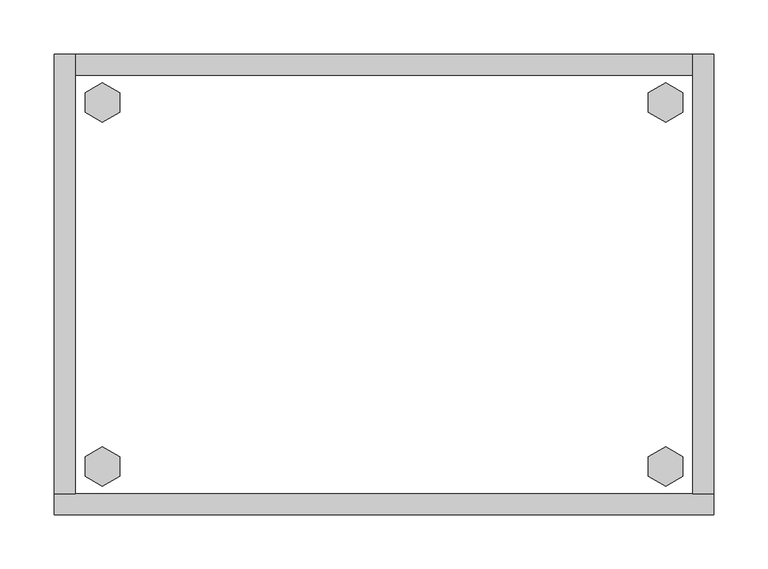
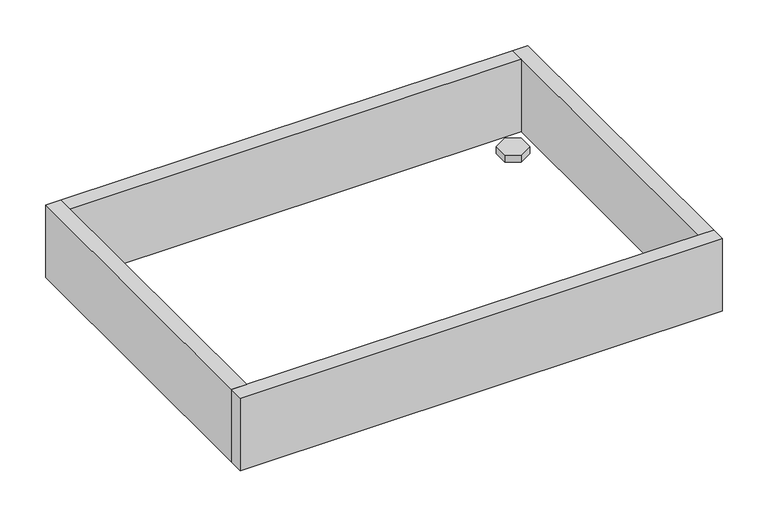
"""IFC4 building model written with IfcOpenShell, lengths in millimetres: furniture geometry."""

import ifcopenshell
import ifcopenshell.guid

model = None  # the IFC model being written
_history = None  # IfcOwnerHistory: only IFC2X3 demands one
_inside = {}  # id of a spatial element -> (the spatial element, [elements in it])
_under = {}  # id of a project, library or spatial element -> (it, [spatial elements below it])
_declared = {}  # id of a project -> (the project, [libraries it declares])
_typed = {}  # id of a type object -> (the type object, [elements of that type])
_made_of = {}  # id of a material, layer set ... -> (it, [elements and type objects made of it])


def new_model(schema):
    """Start an empty IFC model of exactly this schema.

    Asked for "IFC4X3", IfcOpenShell would pick the latest addendum, in which some entities
    have other attributes; the version numbers below select the first issue.
    IFC2X3 requires an IfcOwnerHistory on every rooted entity: one is made here for all.
    """
    global model, _history
    if schema == "IFC4X3":
        model = ifcopenshell.file(schema_version=(4, 3, 0, 0))
    else:
        model = ifcopenshell.file(schema=schema)
    _inside.clear()
    _under.clear()
    _declared.clear()
    _typed.clear()
    _made_of.clear()
    _history = None
    if model.schema == "IFC2X3":
        org = make("IfcOrganization", Name="unknown")
        user = make(
            "IfcPersonAndOrganization",
            ThePerson=make("IfcPerson", FamilyName="unknown"),
            TheOrganization=org,
        )
        app = make(
            "IfcApplication",
            ApplicationDeveloper=org,
            Version="unknown",
            ApplicationFullName="unknown",
            ApplicationIdentifier="unknown",
        )
        _history = make(
            "IfcOwnerHistory",
            OwningUser=user,
            OwningApplication=app,
            ChangeAction="ADDED",
            CreationDate=0,
        )
    return model


def make(cls, **values):
    """One entity of the class cls with the attributes given. An attribute that is None is left unset."""
    return model.create_entity(
        cls, **{name: value for name, value in values.items() if value is not None}
    )


def rooted(cls, **values):
    """An entity with a GlobalId (a new one), such as an element, a storey or a relation."""
    return make(cls, GlobalId=ifcopenshell.guid.new(), OwnerHistory=_history, **values)


def si_unit(unit_type, name, prefix=None):
    """IfcSIUnit, for example si_unit("LENGTHUNIT", "METRE", prefix="MILLI")."""
    return make("IfcSIUnit", UnitType=unit_type, Prefix=prefix, Name=name)


def assignment(units):
    """IfcUnitAssignment: the units of a project."""
    return None if units is None else make("IfcUnitAssignment", Units=units)


def point(xyz):
    """IfcCartesianPoint."""
    return None if xyz is None else make("IfcCartesianPoint", Coordinates=xyz)


def direction(xyz):
    """IfcDirection."""
    return None if xyz is None else make("IfcDirection", DirectionRatios=xyz)


def frame(location, z_axis=None, x_axis=None):
    """IfcAxis2Placement3D, a coordinate frame: its origin and axes. An axis left out is left unset."""
    return make(
        "IfcAxis2Placement3D",
        Location=point(location),
        Axis=direction(z_axis),
        RefDirection=direction(x_axis),
    )


def origin():
    """The frame at (0, 0, 0) with its axes left unset."""
    return frame((0.0, 0.0, 0.0))


def origin_with_axes():
    """The frame at (0, 0, 0) with the z axis (0, 0, 1) and the x axis (1, 0, 0) written out."""
    return frame((0.0, 0.0, 0.0), z_axis=(0.0, 0.0, 1.0), x_axis=(1.0, 0.0, 0.0))


def place(relative_to, where):
    """IfcLocalPlacement: puts the frame where relative to a parent placement (None: the world)."""
    return make(
        "IfcLocalPlacement", PlacementRelTo=relative_to, RelativePlacement=where
    )


def context(
    kind, dimensions, precision=None, world=None, true_north=None, identifier=None
):
    """IfcGeometricRepresentationContext, for example the 3D "Model" context."""
    return make(
        "IfcGeometricRepresentationContext",
        ContextIdentifier=identifier,
        ContextType=kind,
        CoordinateSpaceDimension=dimensions,
        Precision=precision,
        WorldCoordinateSystem=world,
        TrueNorth=true_north,
    )


def project(units=None, contexts=None):
    """IfcProject with its units and contexts."""
    return rooted(
        "IfcProject",
        Name="project",
        RepresentationContexts=contexts,
        UnitsInContext=assignment(units),
    )


def spatial(cls, under=None, at=None, **own):
    """A site, building, storey or space (cls), placed at a placement, below another one or the project."""
    s = rooted(cls, ObjectPlacement=at, **own)
    if under is not None:
        _under.setdefault(under.id(), (under, []))[1].append(s)
    return s


def polyline(points):
    """IfcPolyline through the points."""
    return make("IfcPolyline", Points=[point(p) for p in points])


def outline(outer, holes=None, kind="AREA"):
    """IfcArbitraryClosedProfileDef: a profile drawn as a closed curve; with holes, ...WithVoids."""
    if holes is None:
        return make("IfcArbitraryClosedProfileDef", ProfileType=kind, OuterCurve=outer)
    return make(
        "IfcArbitraryProfileDefWithVoids",
        ProfileType=kind,
        OuterCurve=outer,
        InnerCurves=holes,
    )


def extrude(swept, where, along, depth):
    """IfcExtrudedAreaSolid: the profile swept, set in the frame where, extruded along a direction by depth."""
    return make(
        "IfcExtrudedAreaSolid",
        SweptArea=swept,
        Position=where,
        ExtrudedDirection=direction(along),
        Depth=depth,
    )


def shape(context_of_items, identifier, shape_type, items):
    """IfcShapeRepresentation: the items that make up one representation, for example the "Body"."""
    return make(
        "IfcShapeRepresentation",
        ContextOfItems=context_of_items,
        RepresentationIdentifier=identifier,
        RepresentationType=shape_type,
        Items=items,
    )


def source(mapping_origin, context_of_items, identifier, shape_type, items):
    """IfcRepresentationMap: a shape defined once, which mapped items show again and again."""
    return make(
        "IfcRepresentationMap",
        MappingOrigin=mapping_origin,
        MappedRepresentation=shape(context_of_items, identifier, shape_type, items),
    )


def transform(
    local_origin,
    x_axis=None,
    y_axis=None,
    z_axis=None,
    scale=None,
    scale2=None,
    scale3=None,
    uniform=True,
):
    """IfcCartesianTransformationOperator3D, or its non-uniform kind. x_axis, y_axis, z_axis: its Axis1, 2, 3."""
    if uniform:
        return make(
            "IfcCartesianTransformationOperator3D",
            Axis1=direction(x_axis),
            Axis2=direction(y_axis),
            LocalOrigin=point(local_origin),
            Scale=scale,
            Axis3=direction(z_axis),
        )
    return make(
        "IfcCartesianTransformationOperator3DnonUniform",
        Axis1=direction(x_axis),
        Axis2=direction(y_axis),
        LocalOrigin=point(local_origin),
        Scale=scale,
        Axis3=direction(z_axis),
        Scale2=scale2,
        Scale3=scale3,
    )


def mapped(mapping_source, mapping_target):
    """IfcMappedItem: shows the shape of a source again, moved by a transform."""
    return make(
        "IfcMappedItem", MappingSource=mapping_source, MappingTarget=mapping_target
    )


def made_of(thing, what):
    """Note that an element or type object is made of a material, layer set ...; save() writes the relation."""
    if what is not None:
        _made_of.setdefault(what.id(), (what, []))[1].append(thing)
    return thing


def element(
    cls,
    number,
    at=None,
    inside=None,
    cuts=None,
    type_object=None,
    material=None,
    context=None,
    identifier="Body",
    shape_type=None,
    held_by="IfcProductDefinitionShape",
    body=None,
    shapes=None,
    **own,
):
    """One element of the class cls, such as IfcWall. Its Tag is "e" and its number.

    at: its placement. inside: the storey or other place that contains it. cuts: it is an
    opening in that element (IfcRelVoidsElement). A single representation is given by context,
    identifier, shape_type and body (its items); several are given by shapes. held_by: the class
    of the entity that holds the representations. save() writes the other relations.
    """
    e = rooted(cls, Tag="e%d" % number, ObjectPlacement=at, **own)
    if body is not None:
        shapes = [shape(context, identifier, shape_type, body)]
    if shapes is not None:
        e.Representation = make(held_by, Representations=shapes)
    if inside is not None:
        _inside.setdefault(inside.id(), (inside, []))[1].append(e)
    if cuts is not None:
        rooted(
            "IfcRelVoidsElement", RelatingBuildingElement=cuts, RelatedOpeningElement=e
        )
    if type_object is not None:
        _typed.setdefault(type_object.id(), (type_object, []))[1].append(e)
    return made_of(e, material)


def aggregate(whole, parts):
    """IfcRelAggregates: a whole, such as a stair, and the parts it consists of."""
    return rooted("IfcRelAggregates", RelatingObject=whole, RelatedObjects=parts)


def save(model, path):
    """Write the relations noted so far, then the file.

    IfcRelAggregates (storeys below a building ...), IfcRelContainedInSpatialStructure (elements
    in a storey), IfcRelDefinesByType, IfcRelAssociatesMaterial and IfcRelDeclares: one each for
    every whole, place, type object, material and project.
    """
    for whole, parts in _under.values():
        aggregate(whole, parts)
    for where, things in _inside.values():
        rooted(
            "IfcRelContainedInSpatialStructure",
            RelatedElements=things,
            RelatingStructure=where,
        )
    for kind, things in _typed.values():
        rooted("IfcRelDefinesByType", RelatedObjects=things, RelatingType=kind)
    for what, things in _made_of.values():
        rooted("IfcRelAssociatesMaterial", RelatedObjects=things, RelatingMaterial=what)
    for by, libraries in _declared.values():
        rooted("IfcRelDeclares", RelatingContext=by, RelatedDefinitions=libraries)
    model.write(path)


def furniture_5e88b87c(model_context):
    return source(origin(), model_context, "Body", "SweptSolid", [
        extrude(outline(polyline([(548.9735422, -371.8179), (564.9214, -362.6104), (580.8692578, -371.8179), (580.8692578, -390.2329), (564.9214, -399.4404), (548.9735422, -390.2329), (548.9735422, -371.8179)])), origin_with_axes(), (0.0, 0.0, 1.0), 9.144),
        extrude(outline(polyline([(548.9735422, -35.4711), (564.9214, -26.2636), (580.8692578, -35.4711), (580.8692578, -53.8861), (564.9214, -63.0936), (548.9735422, -53.8861), (548.9735422, -35.4711)])), origin_with_axes(), (0.0, 0.0, 1.0), 9.144),
        extrude(outline(polyline([(28.7307422, -371.8179), (44.6786, -362.6104), (60.6264578, -371.8179), (60.6264578, -390.2329), (44.6786, -399.4404), (28.7307422, -390.2329), (28.7307422, -371.8179)])), origin_with_axes(), (0.0, 0.0, 1.0), 9.144),
        extrude(outline(polyline([(28.7307422, -35.4711), (44.6786, -26.2636), (60.6264578, -35.4711), (60.6264578, -53.8861), (44.6786, -63.0936), (28.7307422, -53.8861), (28.7307422, -35.4711)])), origin_with_axes(), (0.0, 0.0, 1.0), 9.144),
        extrude(outline(polyline([(19.304, 0.0), (19.304, -406.4), (0.0, -406.4), (0.0, 0.0), (19.304, 0.0)])), frame((0.0, 0.0, 4.699), z_axis=(0.0, 0.0, 1.0), x_axis=(1.0, 0.0, 0.0)), (0.0, 0.0, 1.0), 96.901),
        extrude(outline(polyline([(609.6, 0.0), (609.6, -406.4), (590.296, -406.4), (590.296, 0.0), (609.6, 0.0)])), frame((0.0, 0.0, 4.699), z_axis=(0.0, 0.0, 1.0), x_axis=(1.0, 0.0, 0.0)), (0.0, 0.0, 1.0), 96.901),
        extrude(outline(polyline([(590.296, -19.304), (19.304, -19.304), (19.304, 0.0), (590.296, 0.0), (590.296, -19.304)])), frame((0.0, 0.0, 4.699), z_axis=(0.0, 0.0, 1.0), x_axis=(1.0, 0.0, 0.0)), (0.0, 0.0, 1.0), 96.901),
        extrude(outline(polyline([(609.6, -406.4), (609.6, -425.704), (0.0, -425.704), (0.0, -406.4), (609.6, -406.4)])), frame((0.0, 0.0, 4.699), z_axis=(0.0, 0.0, 1.0), x_axis=(1.0, 0.0, 0.0)), (0.0, 0.0, 1.0), 96.901),
    ])


if __name__ == "__main__":
    model = new_model("IFC4")
    model_context = context("Model", 3, world=origin())
    ifc_project = project(units=[si_unit("LENGTHUNIT", "METRE", prefix="MILLI")], contexts=[model_context])
    site = spatial("IfcSite", under=ifc_project)
    building = spatial("IfcBuilding", under=site)
    placement = place(None, origin())
    furniture_shape = furniture_5e88b87c(model_context)
    element("IfcFurniture", 1, at=placement, inside=building, context=model_context, shape_type="MappedRepresentation", body=[
        mapped(furniture_shape, transform((0.0, 0.0, 0.0), x_axis=(1.0, 0.0, 0.0), y_axis=(0.0, 1.0, 0.0), z_axis=(0.0, 0.0, 1.0))),
    ])
    save(model, "model.ifc")
